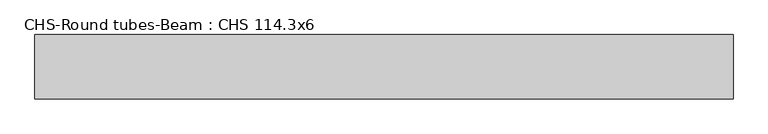
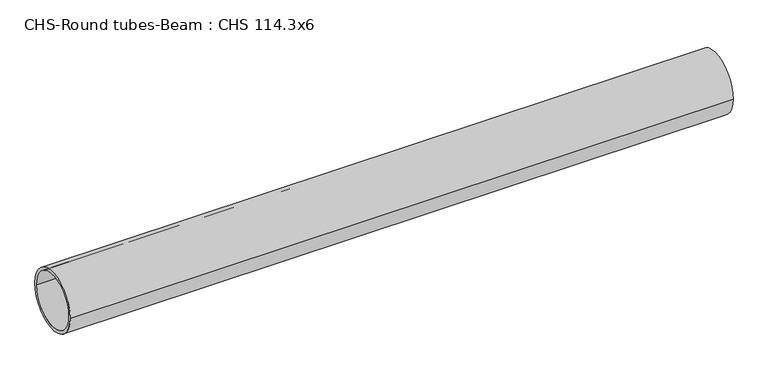
"""IFC4 building model written with IfcOpenShell, lengths in millimetres: beam geometry, CHS-Round tubes-Beam : CHS 114.3x6."""

from ifc_helpers import new_model, si_unit, point, frame, origin, origin_2d, place, context, project, spatial, circle_curve, trimmed, segment, composite_curve, outline, extrude, source, transform, mapped, element, save


def chs_round_tubes_beam_chs_114_3x6_ab63ca47(model_context):
    return source(origin(), model_context, "Body", "SweptSolid", [
        extrude(outline(composite_curve([segment(trimmed(circle_curve(origin_2d(), 57.15), [point((57.15, 0.0))], [point((-57.15, 0.0))], False, "CARTESIAN"), True, "CONTINUOUS"), segment(trimmed(circle_curve(origin_2d(), 57.15), [point((-57.15, 0.0))], [point((57.15, 0.0))], False, "CARTESIAN"), True, "CONTINUOUS")], self_intersect=False), holes=[composite_curve([segment(trimmed(circle_curve(origin_2d(), 51.15), [point((51.15, 0.0))], [point((-51.15, 0.0))], True, "CARTESIAN"), True, "CONTINUOUS"), segment(trimmed(circle_curve(origin_2d(), 51.15), [point((-51.15, 0.0))], [point((51.15, 0.0))], True, "CARTESIAN"), True, "CONTINUOUS")], self_intersect=False)]), frame((-631.2262556, 0.0, 0.0), z_axis=(1.0, 0.0, 0.0), x_axis=(0.0, 1.0, 0.0)), (0.0, 0.0, 1.0), 1236.0280782),
    ])


if __name__ == "__main__":
    model = new_model("IFC4")
    model_context = context("Model", 3, world=origin())
    ifc_project = project(units=[si_unit("LENGTHUNIT", "METRE", prefix="MILLI")], contexts=[model_context])
    site = spatial("IfcSite", under=ifc_project)
    building = spatial("IfcBuilding", under=site)
    placement = place(None, origin())
    chs_round_tubes_beam_chs_114_3x6_shape = chs_round_tubes_beam_chs_114_3x6_ab63ca47(model_context)
    element("IfcBeam", 1, ObjectType="CHS-Round tubes-Beam : CHS 114.3x6", at=placement, inside=building, context=model_context, shape_type="MappedRepresentation", body=[
        mapped(chs_round_tubes_beam_chs_114_3x6_shape, transform((0.0, 0.0, 0.0), x_axis=(1.0, 0.0, 0.0), y_axis=(0.0, 1.0, 0.0), z_axis=(0.0, 0.0, 1.0))),
    ])
    save(model, "model.ifc")
